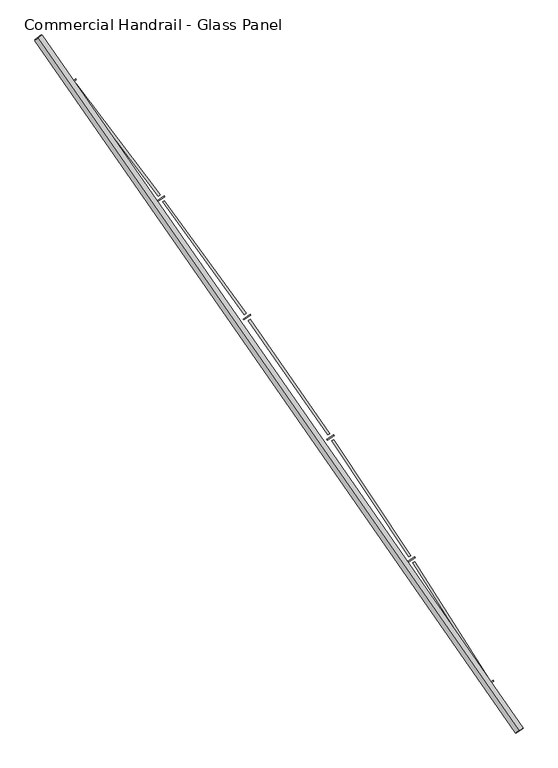
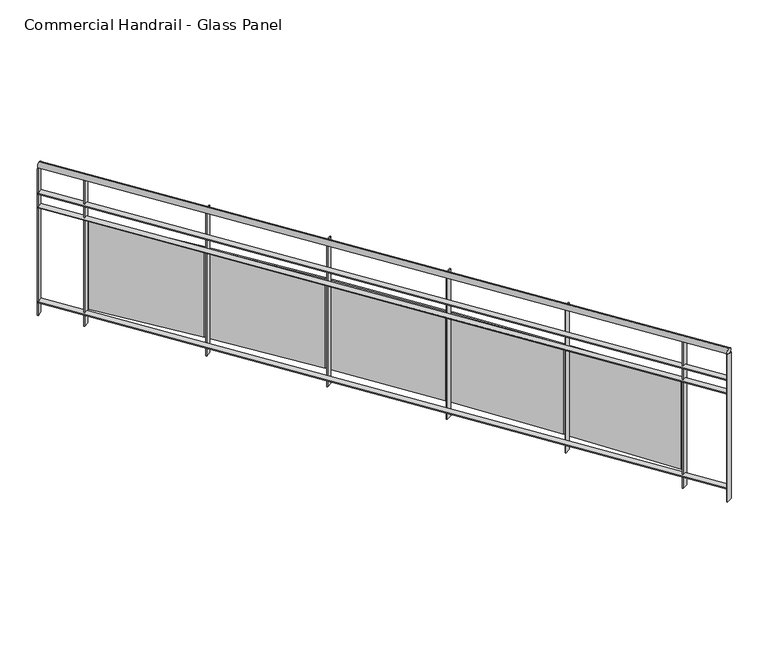
"""IFC4 building model written with IfcOpenShell, lengths in millimetres: railing geometry, Commercial Handrail - Glass Panel."""

from ifc_helpers import new_model, si_unit, point, frame, origin, place, context, project, spatial, polyline, circle_curve, ellipse_curve, trimmed, outline, extrude, source, transform, mapped, element, save
from ifc_brep_helpers import plane_surface, cylinder_surface, revolved_surface, advanced_brep


def commercial_handrail_glass_panel_70ced70e(model_context):
    return source(origin(), model_context, "Body", "SolidModel", [
        advanced_brep(
        [(174947.1226561, -30258.7265853, 6082.5), (172321.2493354, -26475.2644148, 6082.5), (172321.2493354, -26475.2644148, 6117.5), (174947.1226561, -30258.7265853, 6117.5)],
        [
            (0, 1, circle_curve(frame((141591.4318743, -50605.9420988, 6082.5), z_axis=(0.0, 0.0, 1.0), x_axis=(0.7864946016239663, 0.6175971515610791, 0.0)), 39071.873345)),
            (1, 2, ellipse_curve(frame((172321.2493354, -26475.2644148, 6100.0), z_axis=(0.617597151561074, -0.7864946016239703, 0.0), x_axis=(-0.7864946016239703, -0.617597151561074, 0.0)), 25.0, 17.5)),
            (2, 3, circle_curve(frame((141591.4318743, -50605.9420988, 6117.5), z_axis=(0.0, 0.0, -1.0), x_axis=(0.7864946016239663, 0.6175971515610791, 0.0)), 39071.873345)),
            (3, 0, ellipse_curve(frame((174947.1226561, -30258.7265853, 6100.0), z_axis=(-0.5207637559080605, 0.8537008319853803, 0.0), x_axis=(-0.85370083198538, -0.5207637559080603, 0.0)), 25.0, 17.5)),
            (2, 1, ellipse_curve(frame((172321.2493354, -26475.2644148, 6100.0), z_axis=(0.617597151561074, -0.7864946016239703, 0.0), x_axis=(-0.7864946016239703, -0.617597151561074, 0.0)), 25.0, 17.5)),
            (0, 3, ellipse_curve(frame((174947.1226561, -30258.7265853, 6100.0), z_axis=(-0.5207637559080605, 0.8537008319853803, 0.0), x_axis=(-0.85370083198538, -0.5207637559080603, 0.0)), 25.0, 17.5)),
        ],
        [
            revolved_surface(trimmed(ellipse_curve(frame((172321.2493354, -26475.2644148, 6100.0), z_axis=(-0.6175971515610791, 0.7864946016239663, 0.0), x_axis=(0.0, 0.0, -1.0)), 17.5, 25.0), [point((172321.2493354, -26475.2644148, 6117.5))], [point((172321.2493354, -26475.2644148, 6082.5))], True, "CARTESIAN"), (141591.4318743, -50605.9420988, 6100.0), (0.0, 0.0, -1.0)),
            revolved_surface(trimmed(ellipse_curve(frame((172321.2493354, -26475.2644148, 6100.0), z_axis=(-0.6175971515610791, 0.7864946016239663, 0.0), x_axis=(0.0, 0.0, -1.0)), 17.5, 25.0), [point((172321.2493354, -26475.2644148, 6082.5))], [point((172321.2493354, -26475.2644148, 6117.5))], True, "CARTESIAN"), (141591.4318743, -50605.9420988, 6100.0), (0.0, 0.0, -1.0)),
            plane_surface(frame((172321.2493354, -26475.2644148, 6100.0), z_axis=(-0.6175971515610791, 0.7864946016239663, 0.0), x_axis=(0.7864946016239663, 0.6175971515610791, 0.0))),
            plane_surface(frame((174947.1226561, -30258.7265853, 6100.0), z_axis=(0.5207637559080605, -0.85370083198538, 0.0), x_axis=(0.85370083198538, 0.5207637559080605, 0.0))),
        ],
        [
            (0, [[1, 2, 3, 4]]),
            (1, [[-3, 5, -1, 6]]),
            (2, [[-2, -5]]),
            (3, [[-6, -4]]),
        ],
    ),
        advanced_brep(
        [(174966.3309248, -30247.0094008, 5900.0), (172338.945464, -26461.3684789, 5900.0), (172303.5532069, -26489.1603507, 5900.0), (174927.9143874, -30270.4437698, 5900.0), (174966.3309248, -30247.0094008, 5894.0), (172338.945464, -26461.3684789, 5894.0), (174927.9143874, -30270.4437698, 5894.0), (172303.5532069, -26489.1603507, 5894.0)],
        [
            (0, 1, circle_curve(frame((141591.4318743, -50605.9420988, 5900.0), z_axis=(0.0, 0.0, 1.0), x_axis=(0.7864946016239663, 0.6175971515610791, 0.0)), 39094.373345)),
            (1, 2),
            (2, 3, circle_curve(frame((141591.4318743, -50605.9420988, 5900.0), z_axis=(0.0, 0.0, -1.0), x_axis=(0.7864946016239663, 0.6175971515610791, 0.0)), 39049.373345)),
            (3, 0),
            (4, 5, circle_curve(frame((141591.4318743, -50605.9420988, 5894.0), z_axis=(0.0, 0.0, 1.0), x_axis=(0.7864946016239663, 0.6175971515610791, 0.0)), 39094.373345)),
            (5, 1),
            (0, 4),
            (6, 7, circle_curve(frame((141591.4318743, -50605.9420988, 5894.0), z_axis=(0.0, 0.0, 1.0), x_axis=(0.7864946016239663, 0.6175971515610791, 0.0)), 39049.373345)),
            (7, 5),
            (4, 6),
            (2, 7),
            (6, 3),
        ],
        [
            plane_surface(frame((141591.4318743, -50605.9420988, 5900.0), z_axis=(0.0, 0.0, 1.0), x_axis=(0.7864946016239663, 0.6175971515610791, 0.0))),
            cylinder_surface(frame((141591.4318743, -50605.9420988, 5900.0), z_axis=(0.0, 0.0, -1.0), x_axis=(0.7864946016239663, 0.6175971515610791, 0.0)), 39094.373345),
            plane_surface(frame((141591.4318743, -50605.9420988, 5894.0), z_axis=(0.0, 0.0, -1.0), x_axis=(0.7864946016239663, 0.6175971515610791, 0.0))),
            revolved_surface(polyline([(172303.55320694132, -26489.160350682872, 5894.0), (172303.55320694132, -26489.160350682872, 5900.0)]), (141591.4318743, -50605.9420988, 5900.0), (0.0, 0.0, -1.0)),
            plane_surface(frame((172321.2493354, -26475.2644148, 5900.0), z_axis=(-0.6175971515610791, 0.7864946016239663, 0.0), x_axis=(0.7864946016239663, 0.6175971515610791, 0.0))),
            plane_surface(frame((174947.1226561, -30258.7265853, 5900.0), z_axis=(0.5207637559080605, -0.85370083198538, 0.0), x_axis=(0.85370083198538, 0.5207637559080605, 0.0))),
        ],
        [
            (0, [[1, 2, 3, 4]]),
            (1, [[5, 6, -1, 7]]),
            (2, [[8, 9, -5, 10]]),
            (3, [[-3, 11, -8, 12]]),
            (4, [[-2, -6, -9, -11]]),
            (5, [[-12, -10, -7, -4]]),
        ],
    ),
        advanced_brep(
        [(174966.3309248, -30247.0094008, 5800.0), (172338.945464, -26461.3684789, 5800.0), (172303.5532069, -26489.1603507, 5800.0), (174927.9143874, -30270.4437698, 5800.0), (174966.3309248, -30247.0094008, 5794.0), (172338.945464, -26461.3684789, 5794.0), (174927.9143874, -30270.4437698, 5794.0), (172303.5532069, -26489.1603507, 5794.0)],
        [
            (0, 1, circle_curve(frame((141591.4318743, -50605.9420988, 5800.0), z_axis=(0.0, 0.0, 1.0), x_axis=(0.7864946016239663, 0.6175971515610791, 0.0)), 39094.373345)),
            (1, 2),
            (2, 3, circle_curve(frame((141591.4318743, -50605.9420988, 5800.0), z_axis=(0.0, 0.0, -1.0), x_axis=(0.7864946016239663, 0.6175971515610791, 0.0)), 39049.373345)),
            (3, 0),
            (4, 5, circle_curve(frame((141591.4318743, -50605.9420988, 5794.0), z_axis=(0.0, 0.0, 1.0), x_axis=(0.7864946016239663, 0.6175971515610791, 0.0)), 39094.373345)),
            (5, 1),
            (0, 4),
            (6, 7, circle_curve(frame((141591.4318743, -50605.9420988, 5794.0), z_axis=(0.0, 0.0, 1.0), x_axis=(0.7864946016239663, 0.6175971515610791, 0.0)), 39049.373345)),
            (7, 5),
            (4, 6),
            (2, 7),
            (6, 3),
        ],
        [
            plane_surface(frame((141591.4318743, -50605.9420988, 5800.0), z_axis=(0.0, 0.0, 1.0), x_axis=(0.7864946016239663, 0.6175971515610791, 0.0))),
            cylinder_surface(frame((141591.4318743, -50605.9420988, 5800.0), z_axis=(0.0, 0.0, -1.0), x_axis=(0.7864946016239663, 0.6175971515610791, 0.0)), 39094.373345),
            plane_surface(frame((141591.4318743, -50605.9420988, 5794.0), z_axis=(0.0, 0.0, -1.0), x_axis=(0.7864946016239663, 0.6175971515610791, 0.0))),
            revolved_surface(polyline([(172303.55320694132, -26489.160350682872, 5794.0), (172303.55320694132, -26489.160350682872, 5800.0)]), (141591.4318743, -50605.9420988, 5800.0), (0.0, 0.0, -1.0)),
            plane_surface(frame((172321.2493354, -26475.2644148, 5800.0), z_axis=(-0.6175971515610791, 0.7864946016239663, 0.0), x_axis=(0.7864946016239663, 0.6175971515610791, 0.0))),
            plane_surface(frame((174947.1226561, -30258.7265853, 5800.0), z_axis=(0.5207637559080605, -0.85370083198538, 0.0), x_axis=(0.85370083198538, 0.5207637559080605, 0.0))),
        ],
        [
            (0, [[1, 2, 3, 4]]),
            (1, [[5, 6, -1, 7]]),
            (2, [[8, 9, -5, 10]]),
            (3, [[-3, 11, -8, 12]]),
            (4, [[-2, -6, -9, -11]]),
            (5, [[-12, -10, -7, -4]]),
        ],
    ),
        advanced_brep(
        [(174966.3309248, -30247.0094008, 5100.0), (172338.945464, -26461.3684789, 5100.0), (172303.5532069, -26489.1603507, 5100.0), (174927.9143874, -30270.4437698, 5100.0), (174966.3309248, -30247.0094008, 5094.0), (172338.945464, -26461.3684789, 5094.0), (174927.9143874, -30270.4437698, 5094.0), (172303.5532069, -26489.1603507, 5094.0)],
        [
            (0, 1, circle_curve(frame((141591.4318743, -50605.9420988, 5100.0), z_axis=(0.0, 0.0, 1.0), x_axis=(0.7864946016239663, 0.6175971515610791, 0.0)), 39094.373345)),
            (1, 2),
            (2, 3, circle_curve(frame((141591.4318743, -50605.9420988, 5100.0), z_axis=(0.0, 0.0, -1.0), x_axis=(0.7864946016239663, 0.6175971515610791, 0.0)), 39049.373345)),
            (3, 0),
            (4, 5, circle_curve(frame((141591.4318743, -50605.9420988, 5094.0), z_axis=(0.0, 0.0, 1.0), x_axis=(0.7864946016239663, 0.6175971515610791, 0.0)), 39094.373345)),
            (5, 1),
            (0, 4),
            (6, 7, circle_curve(frame((141591.4318743, -50605.9420988, 5094.0), z_axis=(0.0, 0.0, 1.0), x_axis=(0.7864946016239663, 0.6175971515610791, 0.0)), 39049.373345)),
            (7, 5),
            (4, 6),
            (2, 7),
            (6, 3),
        ],
        [
            plane_surface(frame((141591.4318743, -50605.9420988, 5100.0), z_axis=(0.0, 0.0, 1.0), x_axis=(0.7864946016239663, 0.6175971515610791, 0.0))),
            cylinder_surface(frame((141591.4318743, -50605.9420988, 5100.0), z_axis=(0.0, 0.0, -1.0), x_axis=(0.7864946016239663, 0.6175971515610791, 0.0)), 39094.373345),
            plane_surface(frame((141591.4318743, -50605.9420988, 5094.0), z_axis=(0.0, 0.0, -1.0), x_axis=(0.7864946016239663, 0.6175971515610791, 0.0))),
            revolved_surface(polyline([(172303.55320694132, -26489.160350682872, 5094.0), (172303.55320694132, -26489.160350682872, 5100.0)]), (141591.4318743, -50605.9420988, 5100.0), (0.0, 0.0, -1.0)),
            plane_surface(frame((172321.2493354, -26475.2644148, 5100.0), z_axis=(-0.6175971515610791, 0.7864946016239663, 0.0), x_axis=(0.7864946016239663, 0.6175971515610791, 0.0))),
            plane_surface(frame((174947.1226561, -30258.7265853, 5100.0), z_axis=(0.5207637559080605, -0.85370083198538, 0.0), x_axis=(0.85370083198538, 0.5207637559080605, 0.0))),
        ],
        [
            (0, [[1, 2, 3, 4]]),
            (1, [[5, 6, -1, 7]]),
            (2, [[8, 9, -5, 10]]),
            (3, [[-3, 11, -8, 12]]),
            (4, [[-2, -6, -9, -11]]),
            (5, [[-12, -10, -7, -4]]),
        ],
    ),
        extrude(outline(polyline([(174767.0827529, -30009.1035934), (174805.3157733, -29985.3709966), (174808.4801195, -29990.4687326), (174770.2470991, -30014.2013295), (174767.0827529, -30009.1035934)])), frame((0.0, 0.0, 5000.0), z_axis=(0.0, 0.0, 1.0), x_axis=(1.0, 0.0, 0.0)), (0.0, 0.0, 1.0), 1082.1192282),
        extrude(outline(polyline([(174376.4508905, -29337.0184477), (174783.8574789, -29978.5945319), (174773.7273302, -29985.0272675), (174366.3207418, -29343.4511834), (174376.4508905, -29337.0184477)])), frame((0.0, 0.0, 5120.0), z_axis=(0.0, 0.0, 1.0), x_axis=(1.0, 0.0, 0.0)), (0.0, 0.0, 1.0), 660.0),
        extrude(outline(polyline([(174338.4363039, -29334.1939685), (174376.1754174, -29309.6835764), (174379.4434696, -29314.7154582), (174341.7043562, -29339.2258503), (174338.4363039, -29334.1939685)])), frame((0.0, 0.0, 5000.0), z_axis=(0.0, 0.0, 1.0), x_axis=(1.0, 0.0, 0.0)), (0.0, 0.0, 1.0), 1082.1192282),
        extrude(outline(polyline([(173934.1262806, -28670.2473592), (174354.5828818, -29303.3478619), (174344.5865581, -29309.9866503), (173924.1299568, -28676.8861476), (173934.1262806, -28670.2473592)])), frame((0.0, 0.0, 5120.0), z_axis=(0.0, 0.0, 1.0), x_axis=(1.0, 0.0, 0.0)), (0.0, 0.0, 1.0), 660.0),
        extrude(outline(polyline([(173896.0618347, -28668.2017695), (173933.2912204, -28642.9238574), (173936.6616087, -28647.8877755), (173899.432223, -28673.1656876), (173896.0618347, -28668.2017695)])), frame((0.0, 0.0, 5000.0), z_axis=(0.0, 0.0, 1.0), x_axis=(1.0, 0.0, 0.0)), (0.0, 0.0, 1.0), 1082.1192282),
        extrude(outline(polyline([(173478.243143, -28012.6720327), (173911.5734956, -28637.031549), (173901.7151874, -28643.8736072), (173468.3848349, -28019.5140909), (173478.243143, -28012.6720327)])), frame((0.0, 0.0, 5120.0), z_axis=(0.0, 0.0, 1.0), x_axis=(1.0, 0.0, 0.0)), (0.0, 0.0, 1.0), 660.0),
        extrude(outline(polyline([(173440.1447951, -28011.4061902), (173476.848846, -27985.3713549), (173480.3201573, -27990.2652284), (173443.6161065, -28016.3000637), (173440.1447951, -28011.4061902)])), frame((0.0, 0.0, 5000.0), z_axis=(0.0, 0.0, 1.0), x_axis=(1.0, 0.0, 0.0)), (0.0, 0.0, 1.0), 1082.1192282),
        extrude(outline(polyline([(173008.9925907, -27364.5681335), (173455.0150362, -27979.9249228), (173445.2988764, -27986.9673824), (172999.2764309, -27371.6105932), (173008.9925907, -27364.5681335)])), frame((0.0, 0.0, 5120.0), z_axis=(0.0, 0.0, 1.0), x_axis=(1.0, 0.0, 0.0)), (0.0, 0.0, 1.0), 660.0),
        extrude(outline(polyline([(172970.876312, -27364.0825688), (173007.0396412, -27337.3017244), (173010.6104205, -27342.1235017), (172974.4470913, -27368.904346), (172970.876312, -27364.0825688)])), frame((0.0, 0.0, 5000.0), z_axis=(0.0, 0.0, 1.0), x_axis=(1.0, 0.0, 0.0)), (0.0, 0.0, 1.0), 1082.1192282),
        extrude(outline(polyline([(172526.5713403, -26726.207356), (172985.0988996, -27332.3034518), (172975.5289613, -27339.5433607), (172517.0014019, -26733.4472649), (172526.5713403, -26726.207356)])), frame((0.0, 0.0, 5120.0), z_axis=(0.0, 0.0, 1.0), x_axis=(1.0, 0.0, 0.0)), (0.0, 0.0, 1.0), 660.0),
        extrude(outline(polyline([(172488.4531098, -26726.5022727), (172524.0605571, -26698.9866462), (172527.7293072, -26703.7343059), (172492.12186, -26731.2499323), (172488.4531098, -26726.5022727)])), frame((0.0, 0.0, 5000.0), z_axis=(0.0, 0.0, 1.0), x_axis=(1.0, 0.0, 0.0)), (0.0, 0.0, 1.0), 1082.1192282),
        extrude(outline(polyline([(174926.3520961, -30267.8826673), (174964.7686336, -30244.4482983), (174967.8932161, -30249.5705033), (174929.4766787, -30273.0048723), (174926.3520961, -30267.8826673)])), frame((0.0, 0.0, 5000.0), z_axis=(0.0, 0.0, 1.0), x_axis=(1.0, 0.0, 0.0)), (0.0, 0.0, 1.0), 1082.1192282),
        extrude(outline(polyline([(172301.7004154, -26486.8008669), (172337.0926725, -26459.0089951), (172340.7982554, -26463.7279627), (172305.4059984, -26491.5198345), (172301.7004154, -26486.8008669)])), frame((0.0, 0.0, 5000.0), z_axis=(0.0, 0.0, 1.0), x_axis=(1.0, 0.0, 0.0)), (0.0, 0.0, 1.0), 1082.1192282),
    ])


if __name__ == "__main__":
    model = new_model("IFC4")
    model_context = context("Model", 3, world=origin())
    ifc_project = project(units=[si_unit("LENGTHUNIT", "METRE", prefix="MILLI")], contexts=[model_context])
    site = spatial("IfcSite", under=ifc_project)
    building = spatial("IfcBuilding", under=site)
    placement = place(None, origin())
    commercial_handrail_glass_panel_shape = commercial_handrail_glass_panel_70ced70e(model_context)
    element("IfcRailing", 1, ObjectType="Commercial Handrail - Glass Panel", at=placement, inside=building, context=model_context, shape_type="MappedRepresentation", body=[
        mapped(commercial_handrail_glass_panel_shape, transform((0.0, 0.0, 0.0), x_axis=(1.0, 0.0, 0.0), y_axis=(0.0, 1.0, 0.0), z_axis=(0.0, 0.0, 1.0))),
    ])
    save(model, "model.ifc")
